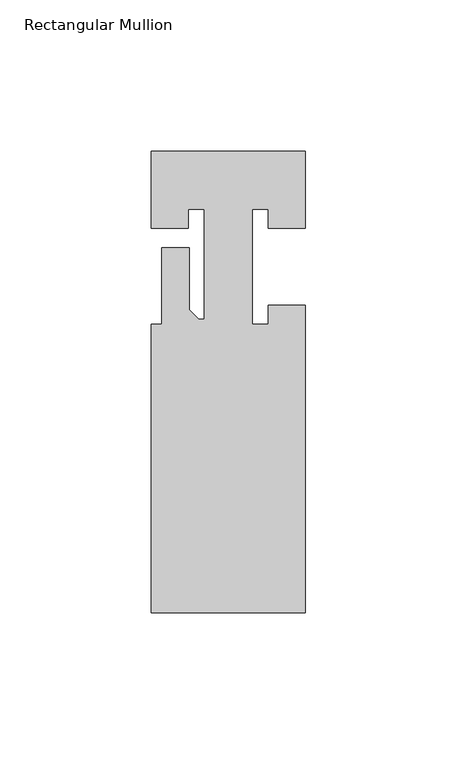
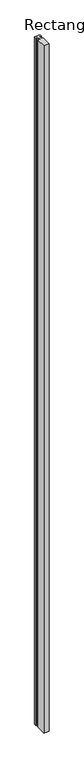
"""IFC4 building model written with IfcOpenShell, lengths in millimetres: member geometry, Rectangular Mullion."""

from ifc_helpers import new_model, si_unit, frame, origin, place, context, project, spatial, polyline, outline, extrude, source, transform, mapped, element, save


def rectangular_mullion_5846f2d4(model_context):
    return source(origin(), model_context, "Body", "SweptSolid", [
        extrude(outline(polyline([(-25.4, 0.0), (25.4, 0.0), (25.4, -25.4), (13.208, -25.4), (13.208, -19.05), (7.95, -19.05), (7.95, -57.15), (13.208, -57.15), (13.208, -50.8), (25.4, -50.8), (25.4, -152.4), (-25.4, -152.4), (-25.4, -57.15), (-21.9336233, -57.15), (-21.9336233, -31.75), (-12.9166233, -31.75), (-12.9166233, -52.2478), (-9.7416233, -55.4228), (-7.9502, -55.4228), (-7.9502, -19.05), (-13.208, -19.05), (-13.208, -25.4), (-25.4, -25.4), (-25.4, 0.0)])), frame((0.0, 0.0, -7010.4), z_axis=(0.0, 0.0, 1.0), x_axis=(1.0, 0.0, 0.0)), (0.0, 0.0, 1.0), 7010.4),
    ])


if __name__ == "__main__":
    model = new_model("IFC4")
    model_context = context("Model", 3, world=origin())
    ifc_project = project(units=[si_unit("LENGTHUNIT", "METRE", prefix="MILLI")], contexts=[model_context])
    site = spatial("IfcSite", under=ifc_project)
    building = spatial("IfcBuilding", under=site)
    placement = place(None, origin())
    rectangular_mullion_shape = rectangular_mullion_5846f2d4(model_context)
    element("IfcMember", 1, ObjectType="Rectangular Mullion", at=placement, inside=building, context=model_context, shape_type="MappedRepresentation", body=[
        mapped(rectangular_mullion_shape, transform((0.0, 0.0, 0.0), x_axis=(1.0, 0.0, 0.0), y_axis=(0.0, 1.0, 0.0), z_axis=(0.0, 0.0, 1.0))),
    ])
    save(model, "model.ifc")
